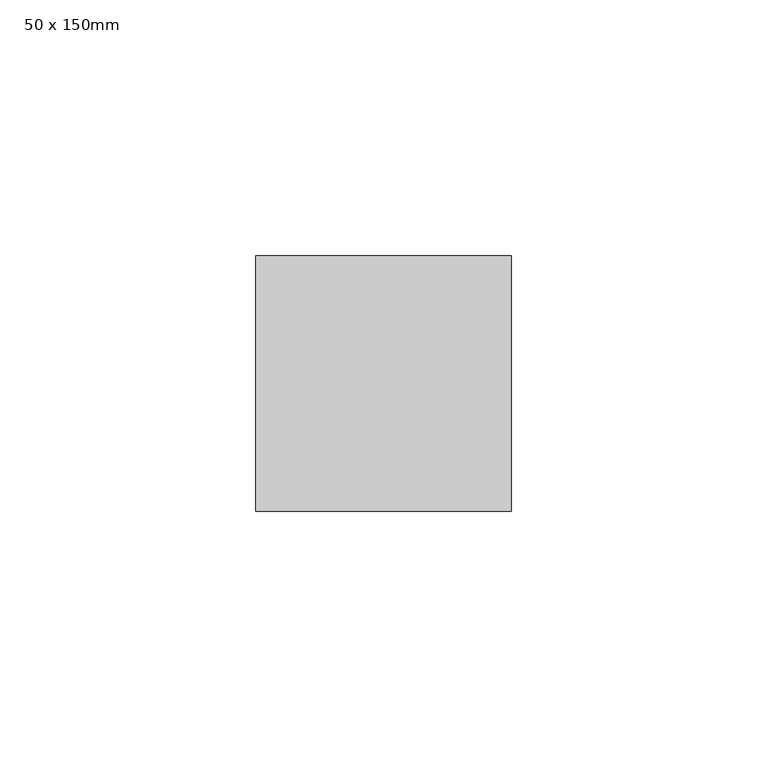
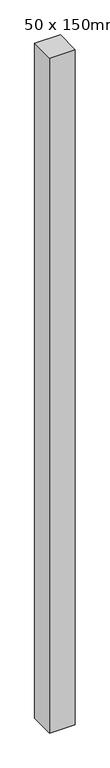
"""IFC4 building model written with IfcOpenShell, lengths in millimetres: member geometry, 50 x 150mm."""

from ifc_helpers import new_model, si_unit, frame, origin, place, context, project, spatial, polyline, outline, extrude, source, transform, mapped, element, save


def member_50_x_150mm_741c79c9(model_context):
    return source(origin(), model_context, "Body", "SweptSolid", [
        extrude(outline(polyline([(25.0, 25.0), (25.0, -25.0), (-25.0, -25.0), (-25.0, 25.0), (25.0, 25.0)])), frame((0.0, 0.0, -1391.3236701), z_axis=(0.0, 0.0, 1.0), x_axis=(1.0, 0.0, 0.0)), (0.0, 0.0, 1.0), 1391.3236701),
    ])


if __name__ == "__main__":
    model = new_model("IFC4")
    model_context = context("Model", 3, world=origin())
    ifc_project = project(units=[si_unit("LENGTHUNIT", "METRE", prefix="MILLI")], contexts=[model_context])
    site = spatial("IfcSite", under=ifc_project)
    building = spatial("IfcBuilding", under=site)
    placement = place(None, origin())
    member_50_x_150mm_shape = member_50_x_150mm_741c79c9(model_context)
    element("IfcMember", 1, ObjectType="50 x 150mm", at=placement, inside=building, context=model_context, shape_type="MappedRepresentation", body=[
        mapped(member_50_x_150mm_shape, transform((0.0, 0.0, 0.0), x_axis=(1.0, 0.0, 0.0), y_axis=(0.0, 1.0, 0.0), z_axis=(0.0, 0.0, 1.0))),
    ])
    save(model, "model.ifc")
